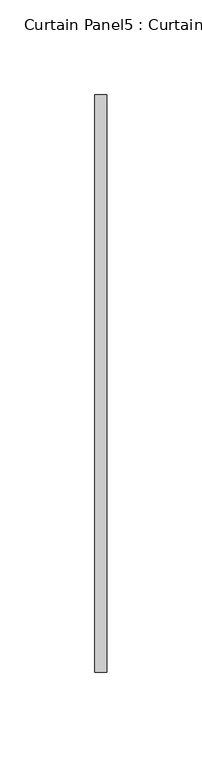
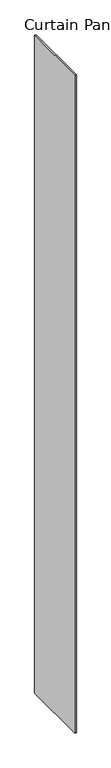
"""IFC4 building model written with IfcOpenShell, lengths in millimetres: plate geometry, Curtain Panel5 : Curtain Panel."""

from ifc_helpers import new_model, si_unit, origin, origin_with_axes, place, context, project, spatial, polyline, outline, extrude, source, transform, mapped, element, save


def curtain_panel5_curtain_panel_f95da2bf(model_context):
    return source(origin(), model_context, "Body", "SweptSolid", [
        extrude(outline(polyline([(401454.3921518, 2100.6796346), (401454.3921518, 2405.4796346), (401460.7421518, 2405.4796346), (401460.7421518, 2100.6796346), (401454.3921518, 2100.6796346)])), origin_with_axes(), (0.0, 0.0, 1.0), 3048.0),
    ])


if __name__ == "__main__":
    model = new_model("IFC4")
    model_context = context("Model", 3, world=origin())
    ifc_project = project(units=[si_unit("LENGTHUNIT", "METRE", prefix="MILLI")], contexts=[model_context])
    site = spatial("IfcSite", under=ifc_project)
    building = spatial("IfcBuilding", under=site)
    placement = place(None, origin())
    curtain_panel5_curtain_panel_shape = curtain_panel5_curtain_panel_f95da2bf(model_context)
    element("IfcPlate", 1, ObjectType="Curtain Panel5 : Curtain Panel", at=placement, inside=building, context=model_context, shape_type="MappedRepresentation", body=[
        mapped(curtain_panel5_curtain_panel_shape, transform((0.0, 0.0, 0.0), x_axis=(1.0, 0.0, 0.0), y_axis=(0.0, 1.0, 0.0), z_axis=(0.0, 0.0, 1.0))),
    ])
    save(model, "model.ifc")
